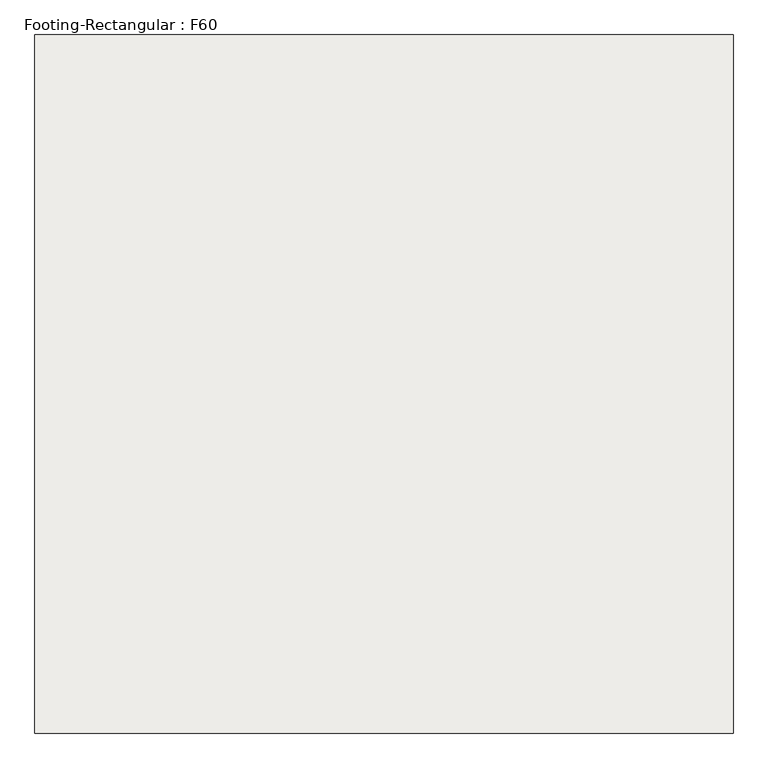
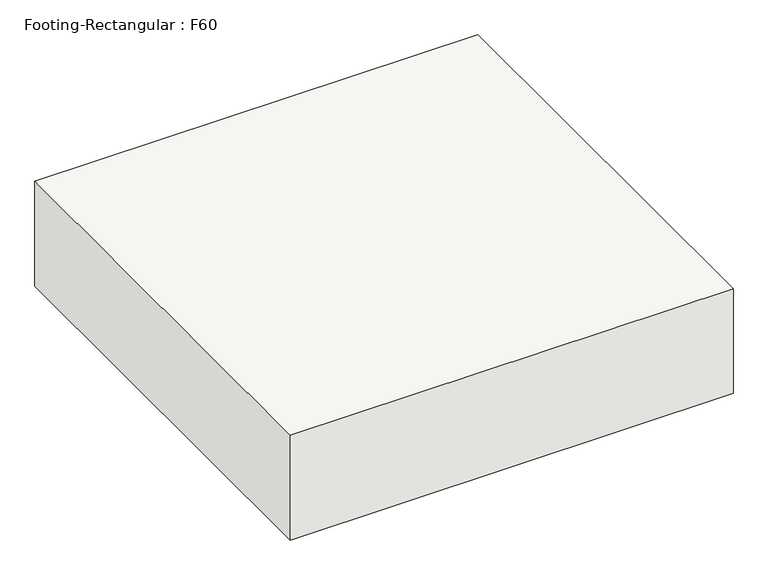
"""IFC4 building model written with IfcOpenShell, lengths in millimetres: slab geometry, Footing-Rectangular : F60."""

from ifc_helpers import new_model, si_unit, frame, origin, place, context, project, spatial, polyline, outline, extrude, source, transform, mapped, element, save


def footing_rectangular_f60_6d6a3403(model_context):
    return source(origin(), model_context, "Body", "SweptSolid", [
        extrude(outline(polyline([(914.4, 914.4), (914.4, -914.4), (-914.4, -914.4), (-914.4, 914.4), (914.4, 914.4)])), frame((0.0, 0.0, -457.2), z_axis=(0.0, 0.0, 1.0), x_axis=(1.0, 0.0, 0.0)), (0.0, 0.0, 1.0), 457.2),
    ])


if __name__ == "__main__":
    model = new_model("IFC4")
    model_context = context("Model", 3, world=origin())
    ifc_project = project(units=[si_unit("LENGTHUNIT", "METRE", prefix="MILLI")], contexts=[model_context])
    site = spatial("IfcSite", under=ifc_project)
    building = spatial("IfcBuilding", under=site)
    placement = place(None, origin())
    footing_rectangular_f60_shape = footing_rectangular_f60_6d6a3403(model_context)
    element("IfcSlab", 1, ObjectType="Footing-Rectangular : F60", at=placement, inside=building, context=model_context, shape_type="MappedRepresentation", body=[
        mapped(footing_rectangular_f60_shape, transform((0.0, 0.0, 0.0), x_axis=(1.0, 0.0, 0.0), y_axis=(0.0, 1.0, 0.0), z_axis=(0.0, 0.0, 1.0))),
    ])
    save(model, "model.ifc")
